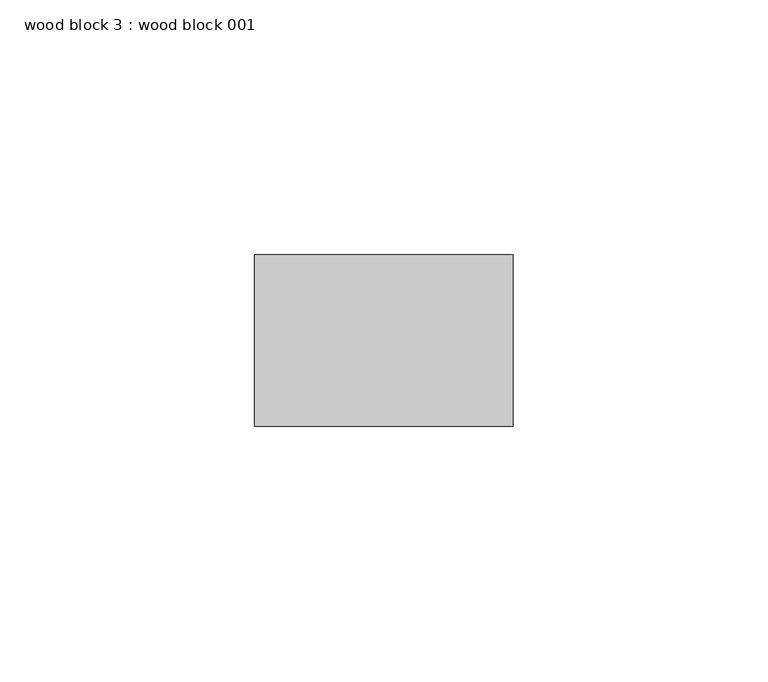
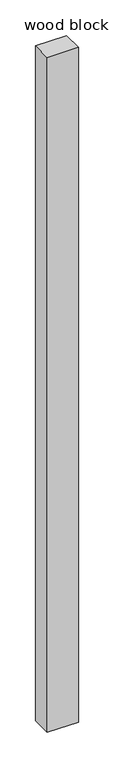
"""IFC4 building model written with IfcOpenShell, lengths in millimetres: proxy geometry, wood block 3 : wood block 001."""

from ifc_helpers import new_model, si_unit, frame, origin, place, context, project, spatial, polyline, outline, extrude, source, transform, mapped, element, save


def wood_block_3_wood_block_001_5ef98c12(model_context):
    return source(origin(), model_context, "Body", "SweptSolid", [
        extrude(outline(polyline([(39320.9007813, -24340.781966), (39371.7007813, -24340.781966), (39371.7007813, -24374.4534304), (39320.9007813, -24374.4534304), (39320.9007813, -24340.781966)])), frame((0.0, 0.0, 1670.3575718), z_axis=(0.0, 0.0, 1.0), x_axis=(1.0, 0.0, 0.0)), (0.0, 0.0, 1.0), 1159.4175122),
    ])


if __name__ == "__main__":
    model = new_model("IFC4")
    model_context = context("Model", 3, world=origin())
    ifc_project = project(units=[si_unit("LENGTHUNIT", "METRE", prefix="MILLI")], contexts=[model_context])
    site = spatial("IfcSite", under=ifc_project)
    building = spatial("IfcBuilding", under=site)
    placement = place(None, origin())
    wood_block_3_wood_block_001_shape = wood_block_3_wood_block_001_5ef98c12(model_context)
    element("IfcBuildingElementProxy", 1, Name="wood block 3 : wood block 001", ObjectType="wood block 3 : wood block 001", at=placement, inside=building, context=model_context, shape_type="MappedRepresentation", body=[
        mapped(wood_block_3_wood_block_001_shape, transform((0.0, 0.0, 0.0), x_axis=(1.0, 0.0, 0.0), y_axis=(0.0, 1.0, 0.0), z_axis=(0.0, 0.0, 1.0))),
    ])
    save(model, "model.ifc")
